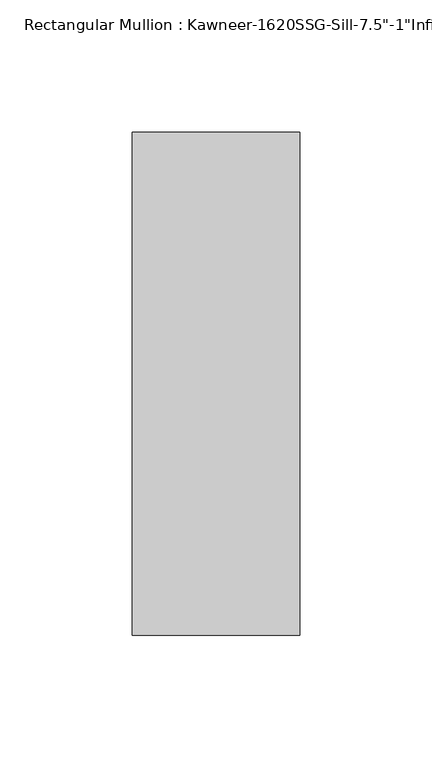
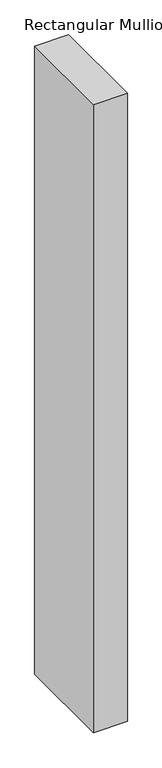
"""IFC4 building model written with IfcOpenShell, lengths in millimetres: member geometry."""

from ifc_helpers import new_model, si_unit, frame, origin, place, context, project, spatial, polyline, outline, extrude, source, transform, mapped, element, save


def member_11761afe(model_context):
    return source(origin(), model_context, "Body", "SweptSolid", [
        extrude(outline(polyline([(-63.5, 38.1), (0.0, 38.1), (0.0, -152.4), (-63.5, -152.4), (-63.5, 38.1)])), frame((0.0, 0.0, -1244.1321277), z_axis=(0.0, 0.0, 1.0), x_axis=(1.0, 0.0, 0.0)), (0.0, 0.0, 1.0), 1244.1321277),
    ])


if __name__ == "__main__":
    model = new_model("IFC4")
    model_context = context("Model", 3, world=origin())
    ifc_project = project(units=[si_unit("LENGTHUNIT", "METRE", prefix="MILLI")], contexts=[model_context])
    site = spatial("IfcSite", under=ifc_project)
    building = spatial("IfcBuilding", under=site)
    placement = place(None, origin())
    member_shape = member_11761afe(model_context)
    element("IfcMember", 1, ObjectType="Rectangular Mullion : Kawneer-1620SSG-Sill-7.5\"-1\"Infill", at=placement, inside=building, context=model_context, shape_type="MappedRepresentation", body=[
        mapped(member_shape, transform((0.0, 0.0, 0.0), x_axis=(1.0, 0.0, 0.0), y_axis=(0.0, 1.0, 0.0), z_axis=(0.0, 0.0, 1.0))),
    ])
    save(model, "model.ifc")
